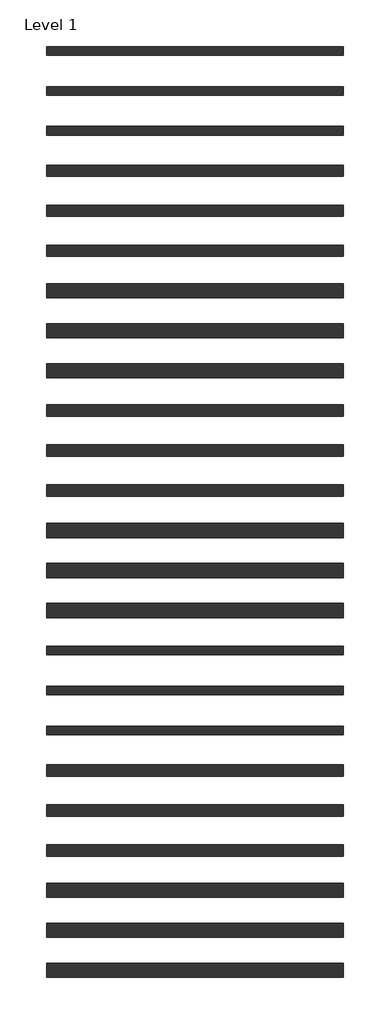
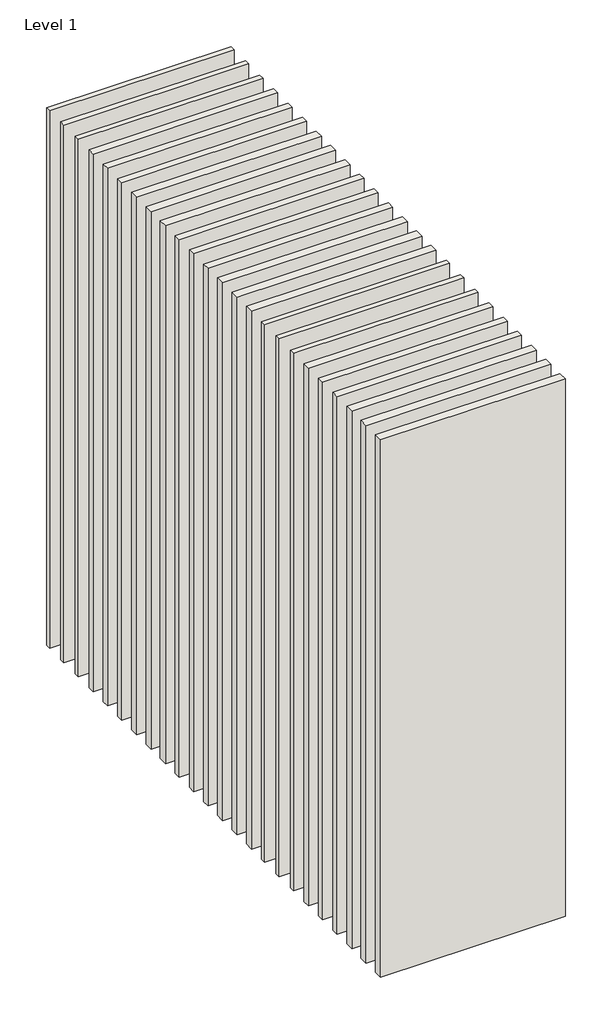
# One storey: 27 walls.
"""IFC4 building model written with IfcOpenShell, lengths in millimetres."""

from ifc_helpers import new_model, si_unit, origin, origin_with_axes, place, context, project, spatial, polyline, outline, extrude, element, save

model = new_model("IFC4")

# Units and contexts
model_context = context("Model", 3, world=origin())
ifc_project = project(units=[si_unit("LENGTHUNIT", "METRE", prefix="MILLI")], contexts=[model_context])

# Site, building, storey
site = spatial("IfcSite", under=ifc_project)
building = spatial("IfcBuilding", under=site)
storey = spatial("IfcBuildingStorey", under=building, Name="Level 1", Elevation=0.0)

# Walls
placement = place(None, origin())
element("IfcWall", 1, at=placement, inside=storey, context=model_context, shape_type="SweptSolid", body=[
    extrude(outline(polyline([(-16904.1464237, 6848.9042935), (-19504.1464237, 6848.9042935), (-19504.1464237, 6923.9042935), (-16904.1464237, 6923.9042935), (-16904.1464237, 6848.9042935)])), origin_with_axes(), (0.0, 0.0, 1.0), 8000.0),
])
element("IfcWall", 2, at=placement, inside=storey, context=model_context, shape_type="SweptSolid", body=[
    extrude(outline(polyline([(-16904.1464237, 1600.0198817), (-19504.1464237, 1600.0198817), (-19504.1464237, 1675.0198817), (-16904.1464237, 1675.0198817), (-16904.1464237, 1600.0198817)])), origin_with_axes(), (0.0, 0.0, 1.0), 8000.0),
])
element("IfcWall", 3, at=placement, inside=storey, context=model_context, shape_type="SweptSolid", body=[
    extrude(outline(polyline([(-16904.1464237, 6498.9042935), (-19504.1464237, 6498.9042935), (-19504.1464237, 6573.9042935), (-16904.1464237, 6573.9042935), (-16904.1464237, 6498.9042935)])), origin_with_axes(), (0.0, 0.0, 1.0), 8000.0),
])
element("IfcWall", 4, at=placement, inside=storey, context=model_context, shape_type="SweptSolid", body=[
    extrude(outline(polyline([(-16904.1464237, 6498.9042935), (-19504.1464237, 6498.9042935), (-19504.1464237, 6573.9042935), (-16904.1464237, 6573.9042935), (-16904.1464237, 6498.9042935)])), origin_with_axes(), (0.0, 0.0, 1.0), 8000.0),
])
element("IfcWall", 5, at=placement, inside=storey, context=model_context, shape_type="SweptSolid", body=[
    extrude(outline(polyline([(-16904.1464237, 6148.9042935), (-19504.1464237, 6148.9042935), (-19504.1464237, 6223.9042935), (-16904.1464237, 6223.9042935), (-16904.1464237, 6148.9042935)])), origin_with_axes(), (0.0, 0.0, 1.0), 8000.0),
])
element("IfcWall", 6, at=placement, inside=storey, context=model_context, shape_type="SweptSolid", body=[
    extrude(outline(polyline([(-16904.1464237, 6148.9042935), (-19504.1464237, 6148.9042935), (-19504.1464237, 6223.9042935), (-16904.1464237, 6223.9042935), (-16904.1464237, 6148.9042935)])), origin_with_axes(), (0.0, 0.0, 1.0), 8000.0),
])
element("IfcWall", 7, at=placement, inside=storey, context=model_context, shape_type="SweptSolid", body=[
    extrude(outline(polyline([(-16904.1464237, 5786.4042935), (-19504.1464237, 5786.4042935), (-19504.1464237, 5886.4042935), (-16904.1464237, 5886.4042935), (-16904.1464237, 5786.4042935)])), origin_with_axes(), (0.0, 0.0, 1.0), 8000.0),
])
element("IfcWall", 8, at=placement, inside=storey, context=model_context, shape_type="SweptSolid", body=[
    extrude(outline(polyline([(-16904.1464237, 5436.4042935), (-19504.1464237, 5436.4042935), (-19504.1464237, 5536.4042935), (-16904.1464237, 5536.4042935), (-16904.1464237, 5436.4042935)])), origin_with_axes(), (0.0, 0.0, 1.0), 8000.0),
])
element("IfcWall", 9, at=placement, inside=storey, context=model_context, shape_type="SweptSolid", body=[
    extrude(outline(polyline([(-16904.1464237, 5086.4042935), (-19504.1464237, 5086.4042935), (-19504.1464237, 5186.4042935), (-16904.1464237, 5186.4042935), (-16904.1464237, 5086.4042935)])), origin_with_axes(), (0.0, 0.0, 1.0), 8000.0),
])
element("IfcWall", 10, at=placement, inside=storey, context=model_context, shape_type="SweptSolid", body=[
    extrude(outline(polyline([(-16904.1464237, 4723.9042935), (-19504.1464237, 4723.9042935), (-19504.1464237, 4848.9042935), (-16904.1464237, 4848.9042935), (-16904.1464237, 4723.9042935)])), origin_with_axes(), (0.0, 0.0, 1.0), 8000.0),
])
element("IfcWall", 11, at=placement, inside=storey, context=model_context, shape_type="SweptSolid", body=[
    extrude(outline(polyline([(-16904.1464237, 4373.9042935), (-19504.1464237, 4373.9042935), (-19504.1464237, 4498.9042935), (-16904.1464237, 4498.9042935), (-16904.1464237, 4373.9042935)])), origin_with_axes(), (0.0, 0.0, 1.0), 8000.0),
])
element("IfcWall", 12, at=placement, inside=storey, context=model_context, shape_type="SweptSolid", body=[
    extrude(outline(polyline([(-16904.1464237, 4023.9042935), (-19504.1464237, 4023.9042935), (-19504.1464237, 4148.9042935), (-16904.1464237, 4148.9042935), (-16904.1464237, 4023.9042935)])), origin_with_axes(), (0.0, 0.0, 1.0), 8000.0),
])
element("IfcWall", 13, at=placement, inside=storey, context=model_context, shape_type="SweptSolid", body=[
    extrude(outline(polyline([(-16904.1464237, 1248.9042935), (-19504.1464237, 1248.9042935), (-19504.1464237, 1323.9042935), (-16904.1464237, 1323.9042935), (-16904.1464237, 1248.9042935)])), origin_with_axes(), (0.0, 0.0, 1.0), 8000.0),
])
element("IfcWall", 14, at=placement, inside=storey, context=model_context, shape_type="SweptSolid", body=[
    extrude(outline(polyline([(-16904.1464237, 898.9042935), (-19504.1464237, 898.9042935), (-19504.1464237, 973.9042935), (-16904.1464237, 973.9042935), (-16904.1464237, 898.9042935)])), origin_with_axes(), (0.0, 0.0, 1.0), 8000.0),
])
element("IfcWall", 15, at=placement, inside=storey, context=model_context, shape_type="SweptSolid", body=[
    extrude(outline(polyline([(-16904.1464237, 898.9042935), (-19504.1464237, 898.9042935), (-19504.1464237, 973.9042935), (-16904.1464237, 973.9042935), (-16904.1464237, 898.9042935)])), origin_with_axes(), (0.0, 0.0, 1.0), 8000.0),
])
element("IfcWall", 16, at=placement, inside=storey, context=model_context, shape_type="SweptSolid", body=[
    extrude(outline(polyline([(-16904.1464237, 536.4042935), (-19504.1464237, 536.4042935), (-19504.1464237, 636.4042935), (-16904.1464237, 636.4042935), (-16904.1464237, 536.4042935)])), origin_with_axes(), (0.0, 0.0, 1.0), 8000.0),
])
element("IfcWall", 17, at=placement, inside=storey, context=model_context, shape_type="SweptSolid", body=[
    extrude(outline(polyline([(-16904.1464237, 186.4042935), (-19504.1464237, 186.4042935), (-19504.1464237, 286.4042935), (-16904.1464237, 286.4042935), (-16904.1464237, 186.4042935)])), origin_with_axes(), (0.0, 0.0, 1.0), 8000.0),
])
element("IfcWall", 18, at=placement, inside=storey, context=model_context, shape_type="SweptSolid", body=[
    extrude(outline(polyline([(-16904.1464237, -163.5957065), (-19504.1464237, -163.5957065), (-19504.1464237, -63.5957065), (-16904.1464237, -63.5957065), (-16904.1464237, -163.5957065)])), origin_with_axes(), (0.0, 0.0, 1.0), 8000.0),
])
element("IfcWall", 19, at=placement, inside=storey, context=model_context, shape_type="SweptSolid", body=[
    extrude(outline(polyline([(-16904.1464237, -526.0957065), (-19504.1464237, -526.0957065), (-19504.1464237, -401.0957065), (-16904.1464237, -401.0957065), (-16904.1464237, -526.0957065)])), origin_with_axes(), (0.0, 0.0, 1.0), 8000.0),
])
element("IfcWall", 20, at=placement, inside=storey, context=model_context, shape_type="SweptSolid", body=[
    extrude(outline(polyline([(-16904.1464237, -876.0957065), (-19504.1464237, -876.0957065), (-19504.1464237, -751.0957065), (-16904.1464237, -751.0957065), (-16904.1464237, -876.0957065)])), origin_with_axes(), (0.0, 0.0, 1.0), 8000.0),
])
element("IfcWall", 21, at=placement, inside=storey, context=model_context, shape_type="SweptSolid", body=[
    extrude(outline(polyline([(-16904.1464237, -1226.0957065), (-19504.1464237, -1226.0957065), (-19504.1464237, -1101.0957065), (-16904.1464237, -1101.0957065), (-16904.1464237, -1226.0957065)])), origin_with_axes(), (0.0, 0.0, 1.0), 8000.0),
])
element("IfcWall", 22, at=placement, inside=storey, context=model_context, shape_type="SweptSolid", body=[
    extrude(outline(polyline([(-16904.1464237, 3686.4042935), (-19504.1464237, 3686.4042935), (-19504.1464237, 3786.4042935), (-16904.1464237, 3786.4042935), (-16904.1464237, 3686.4042935)])), origin_with_axes(), (0.0, 0.0, 1.0), 8000.0),
])
element("IfcWall", 23, at=placement, inside=storey, context=model_context, shape_type="SweptSolid", body=[
    extrude(outline(polyline([(-16904.1464237, 3336.4042935), (-19504.1464237, 3336.4042935), (-19504.1464237, 3436.4042935), (-16904.1464237, 3436.4042935), (-16904.1464237, 3336.4042935)])), origin_with_axes(), (0.0, 0.0, 1.0), 8000.0),
])
element("IfcWall", 24, at=placement, inside=storey, context=model_context, shape_type="SweptSolid", body=[
    extrude(outline(polyline([(-16904.1464237, 2986.4042935), (-19504.1464237, 2986.4042935), (-19504.1464237, 3086.4042935), (-16904.1464237, 3086.4042935), (-16904.1464237, 2986.4042935)])), origin_with_axes(), (0.0, 0.0, 1.0), 8000.0),
])
element("IfcWall", 25, at=placement, inside=storey, context=model_context, shape_type="SweptSolid", body=[
    extrude(outline(polyline([(-16904.1464237, 2623.9042935), (-19504.1464237, 2623.9042935), (-19504.1464237, 2748.9042935), (-16904.1464237, 2748.9042935), (-16904.1464237, 2623.9042935)])), origin_with_axes(), (0.0, 0.0, 1.0), 8000.0),
])
element("IfcWall", 26, at=placement, inside=storey, context=model_context, shape_type="SweptSolid", body=[
    extrude(outline(polyline([(-16904.1464237, 2273.9042935), (-19504.1464237, 2273.9042935), (-19504.1464237, 2398.9042935), (-16904.1464237, 2398.9042935), (-16904.1464237, 2273.9042935)])), origin_with_axes(), (0.0, 0.0, 1.0), 8000.0),
])
element("IfcWall", 27, at=placement, inside=storey, context=model_context, shape_type="SweptSolid", body=[
    extrude(outline(polyline([(-16904.1464237, 1923.9042935), (-19504.1464237, 1923.9042935), (-19504.1464237, 2048.9042935), (-16904.1464237, 2048.9042935), (-16904.1464237, 1923.9042935)])), origin_with_axes(), (0.0, 0.0, 1.0), 8000.0),
])

save(model, "model.ifc")
